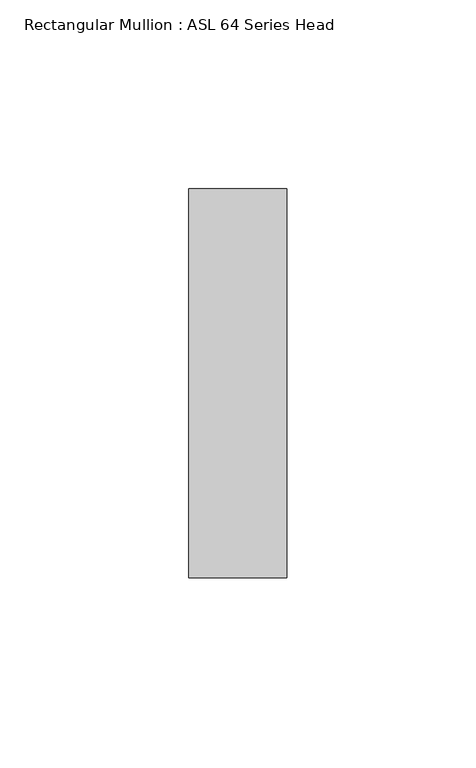
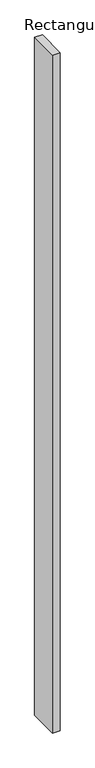
"""IFC4 building model written with IfcOpenShell, lengths in millimetres: member geometry, Rectangular Mullion : ASL 64 Series Head."""

import ifcopenshell
import ifcopenshell.guid

model = None  # the IFC model being written
_history = None  # IfcOwnerHistory: only IFC2X3 demands one
_inside = {}  # id of a spatial element -> (the spatial element, [elements in it])
_under = {}  # id of a project, library or spatial element -> (it, [spatial elements below it])
_declared = {}  # id of a project -> (the project, [libraries it declares])
_typed = {}  # id of a type object -> (the type object, [elements of that type])
_made_of = {}  # id of a material, layer set ... -> (it, [elements and type objects made of it])


def new_model(schema):
    """Start an empty IFC model of exactly this schema.

    Asked for "IFC4X3", IfcOpenShell would pick the latest addendum, in which some entities
    have other attributes; the version numbers below select the first issue.
    IFC2X3 requires an IfcOwnerHistory on every rooted entity: one is made here for all.
    """
    global model, _history
    if schema == "IFC4X3":
        model = ifcopenshell.file(schema_version=(4, 3, 0, 0))
    else:
        model = ifcopenshell.file(schema=schema)
    _inside.clear()
    _under.clear()
    _declared.clear()
    _typed.clear()
    _made_of.clear()
    _history = None
    if model.schema == "IFC2X3":
        org = make("IfcOrganization", Name="unknown")
        user = make(
            "IfcPersonAndOrganization",
            ThePerson=make("IfcPerson", FamilyName="unknown"),
            TheOrganization=org,
        )
        app = make(
            "IfcApplication",
            ApplicationDeveloper=org,
            Version="unknown",
            ApplicationFullName="unknown",
            ApplicationIdentifier="unknown",
        )
        _history = make(
            "IfcOwnerHistory",
            OwningUser=user,
            OwningApplication=app,
            ChangeAction="ADDED",
            CreationDate=0,
        )
    return model


def make(cls, **values):
    """One entity of the class cls with the attributes given. An attribute that is None is left unset."""
    return model.create_entity(
        cls, **{name: value for name, value in values.items() if value is not None}
    )


def rooted(cls, **values):
    """An entity with a GlobalId (a new one), such as an element, a storey or a relation."""
    return make(cls, GlobalId=ifcopenshell.guid.new(), OwnerHistory=_history, **values)


def si_unit(unit_type, name, prefix=None):
    """IfcSIUnit, for example si_unit("LENGTHUNIT", "METRE", prefix="MILLI")."""
    return make("IfcSIUnit", UnitType=unit_type, Prefix=prefix, Name=name)


def assignment(units):
    """IfcUnitAssignment: the units of a project."""
    return None if units is None else make("IfcUnitAssignment", Units=units)


def point(xyz):
    """IfcCartesianPoint."""
    return None if xyz is None else make("IfcCartesianPoint", Coordinates=xyz)


def direction(xyz):
    """IfcDirection."""
    return None if xyz is None else make("IfcDirection", DirectionRatios=xyz)


def frame(location, z_axis=None, x_axis=None):
    """IfcAxis2Placement3D, a coordinate frame: its origin and axes. An axis left out is left unset."""
    return make(
        "IfcAxis2Placement3D",
        Location=point(location),
        Axis=direction(z_axis),
        RefDirection=direction(x_axis),
    )


def origin():
    """The frame at (0, 0, 0) with its axes left unset."""
    return frame((0.0, 0.0, 0.0))


def place(relative_to, where):
    """IfcLocalPlacement: puts the frame where relative to a parent placement (None: the world)."""
    return make(
        "IfcLocalPlacement", PlacementRelTo=relative_to, RelativePlacement=where
    )


def context(
    kind, dimensions, precision=None, world=None, true_north=None, identifier=None
):
    """IfcGeometricRepresentationContext, for example the 3D "Model" context."""
    return make(
        "IfcGeometricRepresentationContext",
        ContextIdentifier=identifier,
        ContextType=kind,
        CoordinateSpaceDimension=dimensions,
        Precision=precision,
        WorldCoordinateSystem=world,
        TrueNorth=true_north,
    )


def project(units=None, contexts=None):
    """IfcProject with its units and contexts."""
    return rooted(
        "IfcProject",
        Name="project",
        RepresentationContexts=contexts,
        UnitsInContext=assignment(units),
    )


def spatial(cls, under=None, at=None, **own):
    """A site, building, storey or space (cls), placed at a placement, below another one or the project."""
    s = rooted(cls, ObjectPlacement=at, **own)
    if under is not None:
        _under.setdefault(under.id(), (under, []))[1].append(s)
    return s


def polyline(points):
    """IfcPolyline through the points."""
    return make("IfcPolyline", Points=[point(p) for p in points])


def outline(outer, holes=None, kind="AREA"):
    """IfcArbitraryClosedProfileDef: a profile drawn as a closed curve; with holes, ...WithVoids."""
    if holes is None:
        return make("IfcArbitraryClosedProfileDef", ProfileType=kind, OuterCurve=outer)
    return make(
        "IfcArbitraryProfileDefWithVoids",
        ProfileType=kind,
        OuterCurve=outer,
        InnerCurves=holes,
    )


def extrude(swept, where, along, depth):
    """IfcExtrudedAreaSolid: the profile swept, set in the frame where, extruded along a direction by depth."""
    return make(
        "IfcExtrudedAreaSolid",
        SweptArea=swept,
        Position=where,
        ExtrudedDirection=direction(along),
        Depth=depth,
    )


def shape(context_of_items, identifier, shape_type, items):
    """IfcShapeRepresentation: the items that make up one representation, for example the "Body"."""
    return make(
        "IfcShapeRepresentation",
        ContextOfItems=context_of_items,
        RepresentationIdentifier=identifier,
        RepresentationType=shape_type,
        Items=items,
    )


def source(mapping_origin, context_of_items, identifier, shape_type, items):
    """IfcRepresentationMap: a shape defined once, which mapped items show again and again."""
    return make(
        "IfcRepresentationMap",
        MappingOrigin=mapping_origin,
        MappedRepresentation=shape(context_of_items, identifier, shape_type, items),
    )


def transform(
    local_origin,
    x_axis=None,
    y_axis=None,
    z_axis=None,
    scale=None,
    scale2=None,
    scale3=None,
    uniform=True,
):
    """IfcCartesianTransformationOperator3D, or its non-uniform kind. x_axis, y_axis, z_axis: its Axis1, 2, 3."""
    if uniform:
        return make(
            "IfcCartesianTransformationOperator3D",
            Axis1=direction(x_axis),
            Axis2=direction(y_axis),
            LocalOrigin=point(local_origin),
            Scale=scale,
            Axis3=direction(z_axis),
        )
    return make(
        "IfcCartesianTransformationOperator3DnonUniform",
        Axis1=direction(x_axis),
        Axis2=direction(y_axis),
        LocalOrigin=point(local_origin),
        Scale=scale,
        Axis3=direction(z_axis),
        Scale2=scale2,
        Scale3=scale3,
    )


def mapped(mapping_source, mapping_target):
    """IfcMappedItem: shows the shape of a source again, moved by a transform."""
    return make(
        "IfcMappedItem", MappingSource=mapping_source, MappingTarget=mapping_target
    )


def made_of(thing, what):
    """Note that an element or type object is made of a material, layer set ...; save() writes the relation."""
    if what is not None:
        _made_of.setdefault(what.id(), (what, []))[1].append(thing)
    return thing


def element(
    cls,
    number,
    at=None,
    inside=None,
    cuts=None,
    type_object=None,
    material=None,
    context=None,
    identifier="Body",
    shape_type=None,
    held_by="IfcProductDefinitionShape",
    body=None,
    shapes=None,
    **own,
):
    """One element of the class cls, such as IfcWall. Its Tag is "e" and its number.

    at: its placement. inside: the storey or other place that contains it. cuts: it is an
    opening in that element (IfcRelVoidsElement). A single representation is given by context,
    identifier, shape_type and body (its items); several are given by shapes. held_by: the class
    of the entity that holds the representations. save() writes the other relations.
    """
    e = rooted(cls, Tag="e%d" % number, ObjectPlacement=at, **own)
    if body is not None:
        shapes = [shape(context, identifier, shape_type, body)]
    if shapes is not None:
        e.Representation = make(held_by, Representations=shapes)
    if inside is not None:
        _inside.setdefault(inside.id(), (inside, []))[1].append(e)
    if cuts is not None:
        rooted(
            "IfcRelVoidsElement", RelatingBuildingElement=cuts, RelatedOpeningElement=e
        )
    if type_object is not None:
        _typed.setdefault(type_object.id(), (type_object, []))[1].append(e)
    return made_of(e, material)


def aggregate(whole, parts):
    """IfcRelAggregates: a whole, such as a stair, and the parts it consists of."""
    return rooted("IfcRelAggregates", RelatingObject=whole, RelatedObjects=parts)


def save(model, path):
    """Write the relations noted so far, then the file.

    IfcRelAggregates (storeys below a building ...), IfcRelContainedInSpatialStructure (elements
    in a storey), IfcRelDefinesByType, IfcRelAssociatesMaterial and IfcRelDeclares: one each for
    every whole, place, type object, material and project.
    """
    for whole, parts in _under.values():
        aggregate(whole, parts)
    for where, things in _inside.values():
        rooted(
            "IfcRelContainedInSpatialStructure",
            RelatedElements=things,
            RelatingStructure=where,
        )
    for kind, things in _typed.values():
        rooted("IfcRelDefinesByType", RelatedObjects=things, RelatingType=kind)
    for what, things in _made_of.values():
        rooted("IfcRelAssociatesMaterial", RelatedObjects=things, RelatingMaterial=what)
    for by, libraries in _declared.values():
        rooted("IfcRelDeclares", RelatingContext=by, RelatedDefinitions=libraries)
    model.write(path)


def rectangular_mullion_asl_64_series_head_01786fee(model_context):
    return source(origin(), model_context, "Body", "SweptSolid", [
        extrude(outline(polyline([(0.0, 51.5), (0.0, -51.5), (-26.0, -51.5), (-26.0, 51.5), (0.0, 51.5)])), frame((0.0, 0.0, -2400.0), z_axis=(0.0, 0.0, 1.0), x_axis=(1.0, 0.0, 0.0)), (0.0, 0.0, 1.0), 2400.0),
    ])


if __name__ == "__main__":
    model = new_model("IFC4")
    model_context = context("Model", 3, world=origin())
    ifc_project = project(units=[si_unit("LENGTHUNIT", "METRE", prefix="MILLI")], contexts=[model_context])
    site = spatial("IfcSite", under=ifc_project)
    building = spatial("IfcBuilding", under=site)
    placement = place(None, origin())
    rectangular_mullion_asl_64_series_head_shape = rectangular_mullion_asl_64_series_head_01786fee(model_context)
    element("IfcMember", 1, ObjectType="Rectangular Mullion : ASL 64 Series Head", at=placement, inside=building, context=model_context, shape_type="MappedRepresentation", body=[
        mapped(rectangular_mullion_asl_64_series_head_shape, transform((0.0, 0.0, 0.0), x_axis=(1.0, 0.0, 0.0), y_axis=(0.0, 1.0, 0.0), z_axis=(0.0, 0.0, 1.0))),
    ])
    save(model, "model.ifc")
